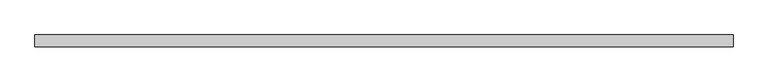
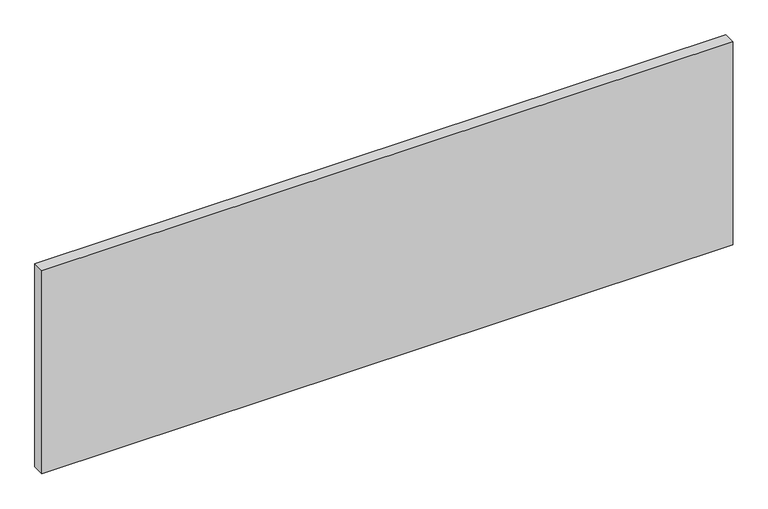
"""IFC4 building model written with IfcOpenShell, lengths in millimetres: plate geometry."""

from ifc_helpers import new_model, si_unit, origin, origin_with_axes, place, context, project, spatial, polyline, outline, extrude, source, transform, mapped, element, save


def plate_682be8cb(model_context):
    return source(origin(), model_context, "Body", "SweptSolid", [
        extrude(outline(polyline([(725.0, -12.5), (-725.0, -12.5), (-725.0, 12.5), (725.0, 12.5), (725.0, -12.5)])), origin_with_axes(), (0.0, 0.0, 1.0), 450.0),
    ])


if __name__ == "__main__":
    model = new_model("IFC4")
    model_context = context("Model", 3, world=origin())
    ifc_project = project(units=[si_unit("LENGTHUNIT", "METRE", prefix="MILLI")], contexts=[model_context])
    site = spatial("IfcSite", under=ifc_project)
    building = spatial("IfcBuilding", under=site)
    placement = place(None, origin())
    plate_shape = plate_682be8cb(model_context)
    element("IfcPlate", 1, at=placement, inside=building, context=model_context, shape_type="MappedRepresentation", body=[
        mapped(plate_shape, transform((0.0, 0.0, 0.0), x_axis=(1.0, 0.0, 0.0), y_axis=(0.0, 1.0, 0.0), z_axis=(0.0, 0.0, 1.0))),
    ])
    save(model, "model.ifc")
